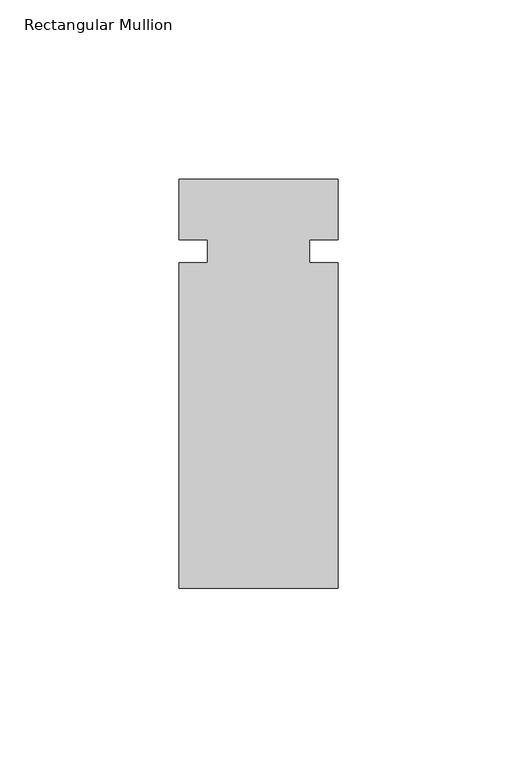
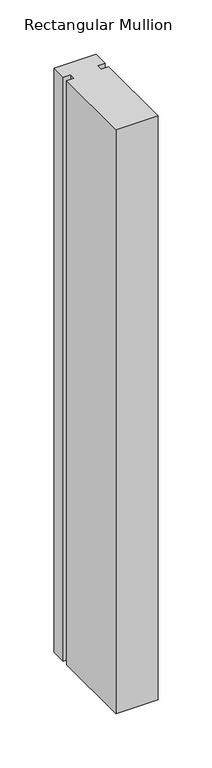
"""IFC4 building model written with IfcOpenShell, lengths in millimetres: member geometry, Rectangular Mullion."""

from ifc_helpers import new_model, si_unit, frame, origin, place, context, project, spatial, polyline, outline, extrude, source, transform, mapped, element, save


def rectangular_mullion_6a5fcddd(model_context):
    return source(origin(), model_context, "Body", "SweptSolid", [
        extrude(outline(polyline([(-22.2250604, -3.1555912), (-14.2875604, -3.1555912), (-14.2875604, 3.1944088), (-22.2250604, 3.1944088), (-22.2250604, 20.1488824), (22.2249797, 20.1488824), (22.2249797, 3.1944088), (14.2874797, 3.1944088), (14.2874797, -3.1555912), (22.2249797, -3.1555912), (22.2249797, -94.1511191), (-22.2250604, -94.1511191), (-22.2250604, -3.1555912)])), frame((0.0, 0.0, -657.2249599), z_axis=(0.0, 0.0, 1.0), x_axis=(1.0, 0.0, 0.0)), (0.0, 0.0, 1.0), 657.2249599),
    ])


if __name__ == "__main__":
    model = new_model("IFC4")
    model_context = context("Model", 3, world=origin())
    ifc_project = project(units=[si_unit("LENGTHUNIT", "METRE", prefix="MILLI")], contexts=[model_context])
    site = spatial("IfcSite", under=ifc_project)
    building = spatial("IfcBuilding", under=site)
    placement = place(None, origin())
    rectangular_mullion_shape = rectangular_mullion_6a5fcddd(model_context)
    element("IfcMember", 1, ObjectType="Rectangular Mullion", at=placement, inside=building, context=model_context, shape_type="MappedRepresentation", body=[
        mapped(rectangular_mullion_shape, transform((0.0, 0.0, 0.0), x_axis=(1.0, 0.0, 0.0), y_axis=(0.0, 1.0, 0.0), z_axis=(0.0, 0.0, 1.0))),
    ])
    save(model, "model.ifc")
